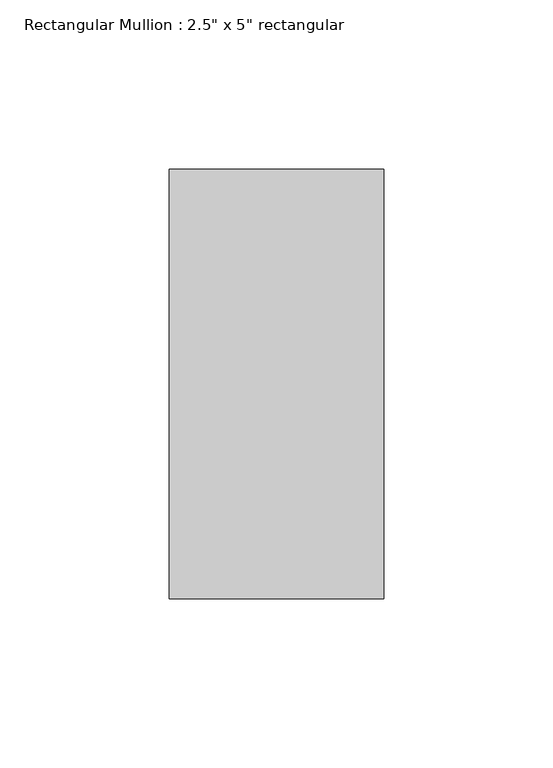
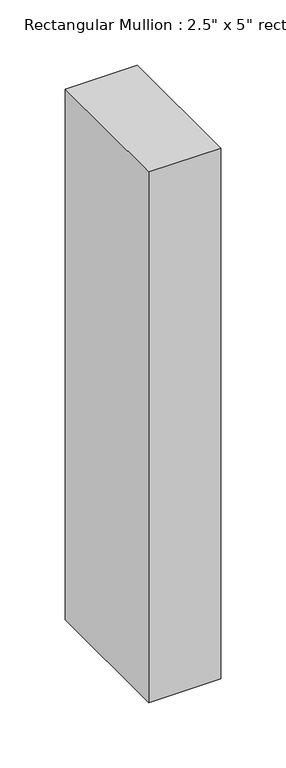
"""IFC4 building model written with IfcOpenShell, lengths in millimetres: member geometry."""

from ifc_helpers import new_model, si_unit, frame, origin, place, context, project, spatial, polyline, outline, extrude, source, transform, mapped, element, save


def member_d83cc37f(model_context):
    return source(origin(), model_context, "Body", "SweptSolid", [
        extrude(outline(polyline([(31.75, 63.5), (31.75, -63.5), (-31.75, -63.5), (-31.75, 63.5), (31.75, 63.5)])), frame((0.0, 0.0, -495.0327021), z_axis=(0.0, 0.0, 1.0), x_axis=(1.0, 0.0, 0.0)), (0.0, 0.0, 1.0), 495.0327021),
    ])


if __name__ == "__main__":
    model = new_model("IFC4")
    model_context = context("Model", 3, world=origin())
    ifc_project = project(units=[si_unit("LENGTHUNIT", "METRE", prefix="MILLI")], contexts=[model_context])
    site = spatial("IfcSite", under=ifc_project)
    building = spatial("IfcBuilding", under=site)
    placement = place(None, origin())
    member_shape = member_d83cc37f(model_context)
    element("IfcMember", 1, ObjectType="Rectangular Mullion : 2.5\" x 5\" rectangular", at=placement, inside=building, context=model_context, shape_type="MappedRepresentation", body=[
        mapped(member_shape, transform((0.0, 0.0, 0.0), x_axis=(1.0, 0.0, 0.0), y_axis=(0.0, 1.0, 0.0), z_axis=(0.0, 0.0, 1.0))),
    ])
    save(model, "model.ifc")
